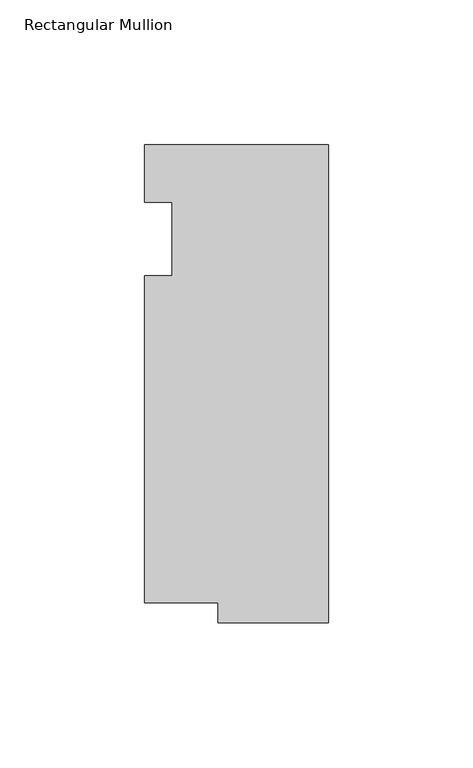
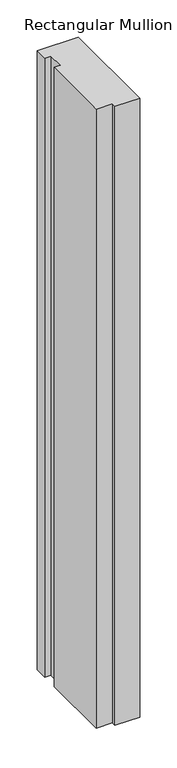
"""IFC4 building model written with IfcOpenShell, lengths in millimetres: member geometry, Rectangular Mullion."""

from ifc_helpers import new_model, si_unit, frame, origin, place, context, project, spatial, polyline, outline, extrude, source, transform, mapped, element, save


def rectangular_mullion_6d96ecee(model_context):
    return source(origin(), model_context, "Body", "SweptSolid", [
        extrude(outline(polyline([(-63.5, 32.54375), (0.0, 32.54375), (0.0, -132.55625), (-38.1, -132.55625), (-38.1, -125.59665), (-63.5, -125.59665), (-63.5, -12.7), (-53.975, -12.7), (-53.975, 12.7), (-63.5, 12.7), (-63.5, 32.54375)])), frame((0.0, 0.0, -1016.0), z_axis=(0.0, 0.0, 1.0), x_axis=(1.0, 0.0, 0.0)), (0.0, 0.0, 1.0), 1016.0),
    ])


if __name__ == "__main__":
    model = new_model("IFC4")
    model_context = context("Model", 3, world=origin())
    ifc_project = project(units=[si_unit("LENGTHUNIT", "METRE", prefix="MILLI")], contexts=[model_context])
    site = spatial("IfcSite", under=ifc_project)
    building = spatial("IfcBuilding", under=site)
    placement = place(None, origin())
    rectangular_mullion_shape = rectangular_mullion_6d96ecee(model_context)
    element("IfcMember", 1, ObjectType="Rectangular Mullion", at=placement, inside=building, context=model_context, shape_type="MappedRepresentation", body=[
        mapped(rectangular_mullion_shape, transform((0.0, 0.0, 0.0), x_axis=(1.0, 0.0, 0.0), y_axis=(0.0, 1.0, 0.0), z_axis=(0.0, 0.0, 1.0))),
    ])
    save(model, "model.ifc")
